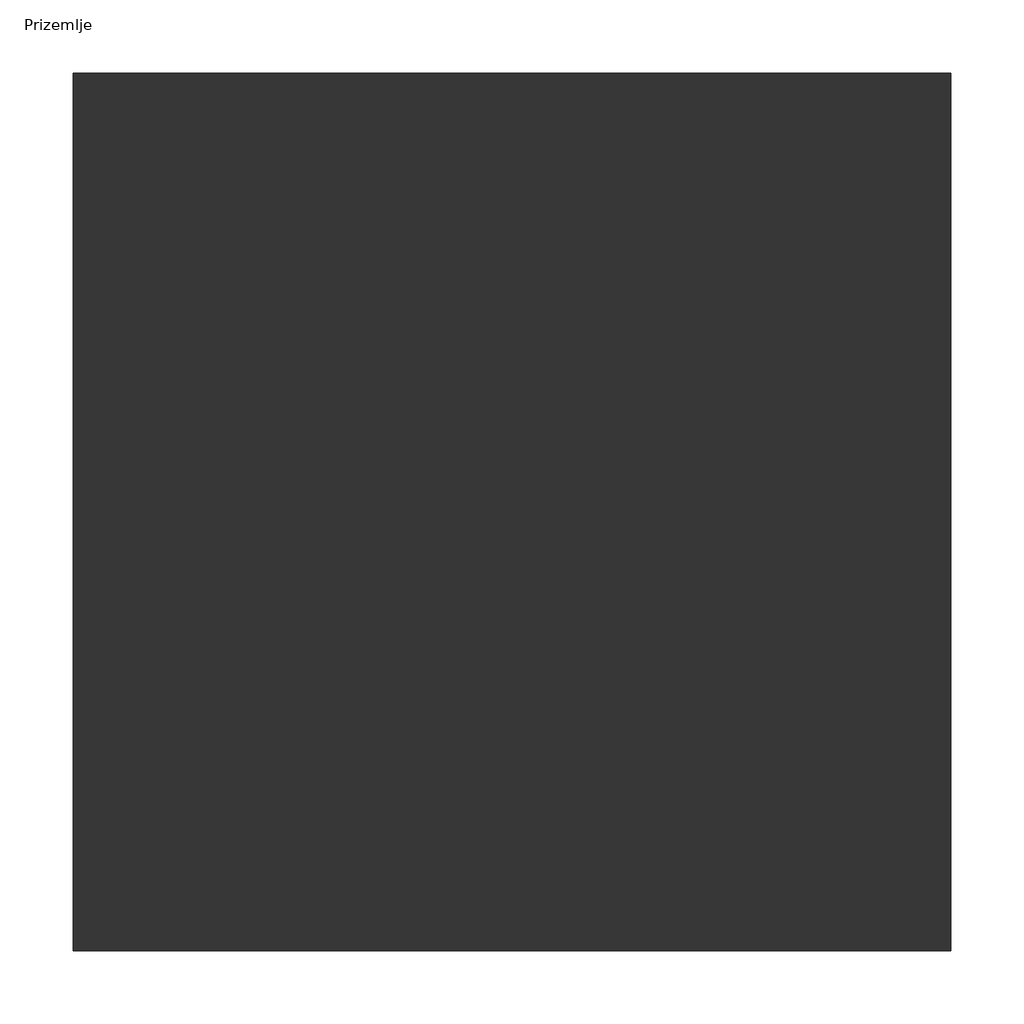
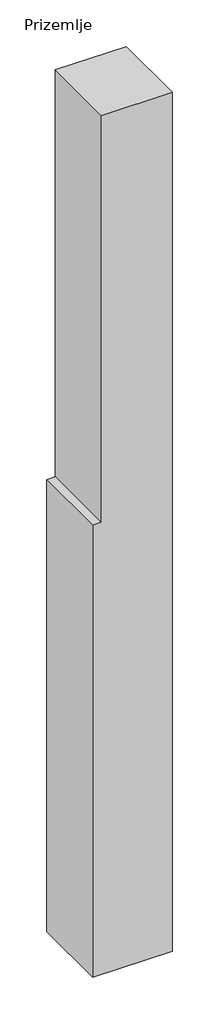
# One storey, part 4 of 7: 1 column.
"""IFC4 building model written with IfcOpenShell, lengths in millimetres."""

from ifc_helpers import new_model, si_unit, frame, origin, place, context, project, spatial, polyline, outline, extrude, element, save

model = new_model("IFC4")

# Units and contexts
model_context = context("Model", 3, world=origin())
ifc_project = project(units=[si_unit("LENGTHUNIT", "METRE", prefix="MILLI")], contexts=[model_context])

# Site, building, storey
site = spatial("IfcSite", under=ifc_project)
building = spatial("IfcBuilding", under=site)
storey = spatial("IfcBuildingStorey", under=building, Name="Prizemlje", Elevation=0.0)

# Column
placement = place(None, origin())
element("IfcColumn", 1, ObjectType="Rectangular Column", at=placement, inside=storey, context=model_context, shape_type="SweptSolid", body=[
    extrude(outline(polyline([(0.0, 8142.3871269), (0.0, 8742.3871269), (6840.0, 8742.3871269), (6840.0, 8209.3871269), (3600.0, 8209.3871269), (3600.0, 8142.3871269), (0.0, 8142.3871269)])), frame((0.0, 5676.9445338, 0.0), z_axis=(0.0, 1.0, 0.0), x_axis=(0.0, 0.0, 1.0)), (0.0, 0.0, 1.0), 600.0),
])

save(model, "model.ifc")
